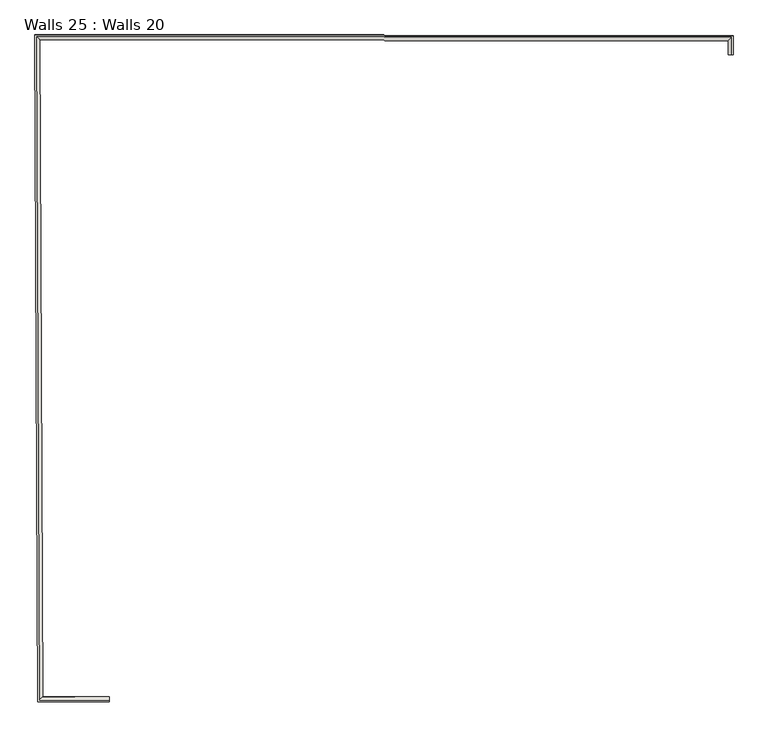
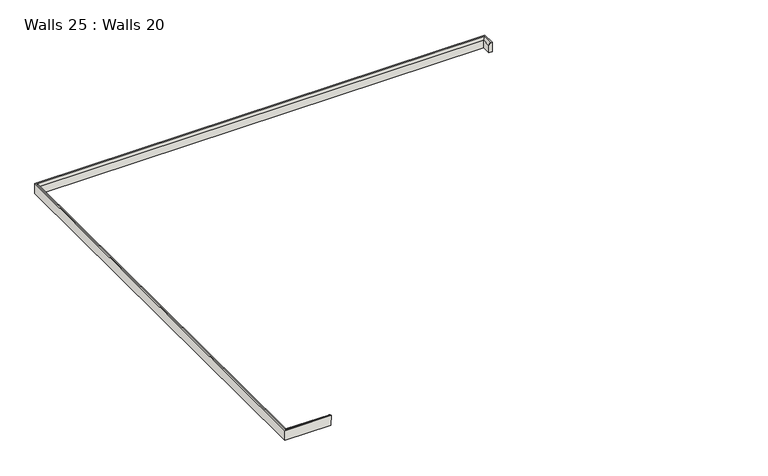
"""IFC4 building model written with IfcOpenShell, lengths in millimetres: wall geometry, Walls 25 : Walls 20."""

from ifc_helpers import new_model, si_unit, frame, origin, place, context, project, spatial, circle_curve, ellipse_curve, source, transform, mapped, element, save
from ifc_brep_helpers import plane_surface, cylinder_surface, advanced_brep


def walls_25_walls_20_04249683(model_context):
    return source(origin(), model_context, "Body", "AdvancedBrep", [
        advanced_brep(
        [(-48478.945621, 48693.4953544, 110878.2716853), (-48478.9816247, 48686.7993197, 110878.2514498), (-48478.982557, 48687.0284627, 110802.4283031), (-48478.8545574, 48710.8340348, 110802.5002437), (-48478.8538355, 48710.6565987, 110861.2136058), (-45500.9350738, 51784.5473125, 110887.5764513), (-45518.0450308, 51784.5359793, 110870.4666865), (-45518.0457527, 51784.7134153, 110811.7533244), (-45494.2398894, 51784.8011271, 110811.7532968), (-45494.2389571, 51784.5719841, 110887.5764435), (-48813.9696888, 48695.2967083, 110878.2812483), (-48826.8963689, 51872.5561404, 110887.883314), (-45501.2477257, 51869.4042836, 110887.832899), (-45494.5761665, 51876.0940952, 110887.8530341), (-48833.6198556, 51879.2586471, 110887.9036521), (-48820.6388086, 48688.6363384, 110878.2612022), (-48820.6397409, 48688.8654814, 110802.4380555), (-48833.6207879, 51879.4877901, 110812.0805054), (-45494.5770988, 51876.3232382, 110812.0298873), (-45518.2956561, 51852.5397905, 110811.9583036), (-48809.7176194, 51855.6592092, 110812.0081998), (-48796.9298561, 48712.5442586, 110802.5093229), (-48796.9291342, 48712.3668226, 110861.222685), (-48809.7168975, 51855.4817732, 110870.7215619), (-45518.2949342, 51852.3623545, 110870.6716658)],
        [
            (0, 1),
            (1, 2),
            (2, 3),
            (3, 4),
            (4, 0, circle_curve(frame((-48478.9458314, 48693.5470614, 110861.1619007), z_axis=(0.9999855449741172, -0.005376711640192041, -2.854393186696755e-05), x_axis=(0.005376773348840511, 0.9999809788872452, 0.003021948388409901)), 17.1098628)),
            (5, 6, circle_curve(frame((-45500.9352842, 51784.5990195, 110870.4666667), z_axis=(0.003684416276121409, -0.9999886459811596, -0.003022082968952941), x_axis=(-0.9999932124397302, -0.0036844366084673673, 1.1605838948661015e-06)), 17.1098628)),
            (6, 7),
            (7, 8),
            (8, 9),
            (9, 5),
            (0, 10),
            (10, 11),
            (11, 12),
            (12, 5),
            (9, 13),
            (13, 14),
            (14, 15),
            (15, 1),
            (15, 16),
            (16, 2),
            (16, 17),
            (17, 18),
            (18, 8),
            (7, 19),
            (19, 20),
            (20, 21),
            (21, 3),
            (21, 22),
            (22, 4),
            (22, 10, ellipse_curve(frame((-48813.9698992, 48695.3484153, 110861.1714637), z_axis=(0.7066440617398078, -0.7075659406609316, -0.0021470036044390103), x_axis=(0.7075691979281559, 0.7066408612449221, 0.0021268197715641774)), 24.0835314, 17.1098628)),
            (14, 17),
            (20, 23),
            (23, 22),
            (23, 11, ellipse_curve(frame((-48826.8965793, 51872.6078474, 110870.7735294), z_axis=(-0.7060025952775562, -0.7082060377280661, -0.0021315691094162875), x_axis=(0.7082092454283425, -0.7059993451058352, -0.00214228848430193)), 24.257918, 17.1098628)),
            (13, 18),
            (19, 24),
            (24, 23),
            (24, 12, ellipse_curve(frame((-45501.2479361, 51869.4559906, 110870.7231144), z_axis=(-0.7080736677294742, 0.706135319832193, 0.0021426977427440484), x_axis=(-0.7061385706197877, -0.708070460653346, -0.002131157713879938)), 24.1411514, 17.1098628)),
            (6, 24),
        ],
        [
            plane_surface(frame((-48478.9223039, 48698.4577112, 110760.4028293), z_axis=(0.9999855449741173, -0.005376711640192051, -2.8543931866967577e-05), x_axis=(1.2295243853597964e-05, -0.003022058180319861, 0.9999954334961645))),
            plane_surface(frame((-45505.542686, 51784.8865915, 110769.693681), z_axis=(0.0036844162761214593, -0.9999886459811598, -0.0030220829689529428), x_axis=(1.2295243842208854e-05, -0.0030220581803084585, 0.9999954334961645))),
            plane_surface(frame((-48478.945621, 48693.4953544, 110878.2716853), z_axis=(1.2295243876977132e-05, -0.003022058180319989, 0.9999954334961646), x_axis=(-0.9999855449741173, 0.005376711640191526, 2.8543931890345616e-05))),
            plane_surface(frame((-48478.9816247, 48686.7993197, 110878.2514498), z_axis=(-0.005376773348831621, -0.9999809788872454, -0.0030219483884098984), x_axis=(-0.9999855449741173, 0.0053767116401830925, 2.8543931886695507e-05))),
            plane_surface(frame((-48478.982557, 48687.0284627, 110802.4283031), z_axis=(-1.22952438733532e-05, 0.0030220581803199692, -0.9999954334961646), x_axis=(-0.9999855449741173, 0.005376711640183365, 2.8543931886696953e-05))),
            plane_surface(frame((-48478.8545574, 48710.8340348, 110802.5002437), z_axis=(0.005376773348842161, 0.9999809788872452, 0.0030219483884098984), x_axis=(-0.9999855449741173, 0.00537671164019365, 2.8543931880723677e-05))),
            cylinder_surface(frame((-48478.9458314, 48693.5470614, 110861.1619007), z_axis=(0.9999855449741174, -0.005376711640192042, -2.8543931866967557e-05), x_axis=(0.005376773348840511, 0.9999809788872452, 0.003021948388409901)), 17.1098628),
            plane_surface(frame((-48820.6388086, 48688.6363384, 110878.2612022), z_axis=(-0.999991723756438, -0.004068466372981978, 0.0), x_axis=(-0.004068447794314681, 0.9999871572903958, 0.0030220831918070586))),
            plane_surface(frame((-48796.9298561, 48712.5442586, 110802.5093229), z_axis=(0.999991723756438, 0.0040684663729820495, 0.0), x_axis=(-0.004068447794314752, 0.9999871572903958, 0.003022083191806115))),
            cylinder_surface(frame((-48813.988463, 48699.9112483, 110861.1852532), z_axis=(0.004068447794312917, -0.9999871572903958, -0.0030220831918050177), x_axis=(0.9999917237564379, 0.004068466372980214, 0.0)), 17.1098628),
            plane_surface(frame((-48833.6198556, 51879.2586471, 110887.9036521), z_axis=(0.0009477830392224936, 0.9999949844625727, 0.003022045170019832), x_axis=(0.9999995507779679, -0.0009477415543853308, -1.5159437665535588e-05))),
            plane_surface(frame((-48809.7176194, 51855.6592092, 110812.0081998), z_axis=(-0.0009477830392237712, -0.9999949844625727, -0.003022045170019832), x_axis=(0.9999995507779679, -0.00094774155438661, -1.5159437665007282e-05))),
            cylinder_surface(frame((-48822.2672233, 51872.60346, 110870.7734592), z_axis=(-0.999999550777968, 0.0009477415543852564, 1.5159437661791579e-05), x_axis=(-0.0009477830392224079, -0.9999949844625727, -0.0030220451700198286)), 17.1098628),
            plane_surface(frame((-45494.5761665, 51876.0940952, 110887.8530341), z_axis=(0.9999932124397304, 0.003684436608450139, -1.1605838949150613e-06), x_axis=(0.0036844162761041806, -0.9999886459811598, -0.0030220829689578672))),
            plane_surface(frame((-45518.2956561, 51852.5397905, 110811.9583036), z_axis=(-0.9999932124397304, -0.0036844366084426, 1.1605838949378431e-06), x_axis=(0.0036844162760966423, -0.99998864598116, -0.003022082968882324))),
            cylinder_surface(frame((-45501.2310434, 51864.8711361, 110870.7092584), z_axis=(-0.00368441627612141, 0.9999886459811598, 0.003022082968952942), x_axis=(-0.9999932124397302, -0.0036844366084673673, 1.1605838948661015e-06)), 17.1098628),
        ],
        [
            (0, [[1, 2, 3, 4, 5]]),
            (1, [[6, 7, 8, 9, 10]]),
            (2, [[-1, 11, 12, 13, 14, -10, 15, 16, 17, 18]]),
            (3, [[-2, -18, 19, 20]]),
            (4, [[-3, -20, 21, 22, 23, -8, 24, 25, 26, 27]]),
            (5, [[-4, -27, 28, 29]]),
            (6, [[-5, -29, 30, -11]]),
            (7, [[-19, -17, 31, -21]]),
            (8, [[-28, -26, 32, 33]]),
            (9, [[-30, -33, 34, -12]]),
            (10, [[-31, -16, 35, -22]]),
            (11, [[-32, -25, 36, 37]]),
            (12, [[-34, -37, 38, -13]]),
            (13, [[-35, -15, -9, -23]]),
            (14, [[-36, -24, -7, 39]]),
            (15, [[-38, -39, -6, -14]]),
        ],
    ),
    ])


if __name__ == "__main__":
    model = new_model("IFC4")
    model_context = context("Model", 3, world=origin())
    ifc_project = project(units=[si_unit("LENGTHUNIT", "METRE", prefix="MILLI")], contexts=[model_context])
    site = spatial("IfcSite", under=ifc_project)
    building = spatial("IfcBuilding", under=site)
    placement = place(None, origin())
    walls_25_walls_20_shape = walls_25_walls_20_04249683(model_context)
    element("IfcWall", 1, ObjectType="Walls 25 : Walls 20", at=placement, inside=building, context=model_context, shape_type="MappedRepresentation", body=[
        mapped(walls_25_walls_20_shape, transform((0.0, 0.0, 0.0), x_axis=(1.0, 0.0, 0.0), y_axis=(0.0, 1.0, 0.0), z_axis=(0.0, 0.0, 1.0))),
    ])
    save(model, "model.ifc")
